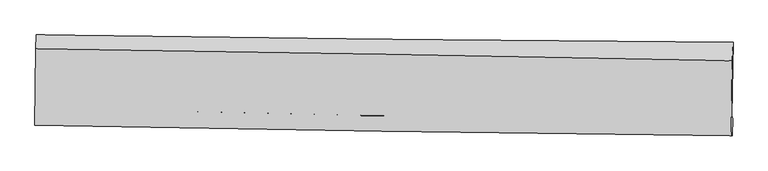
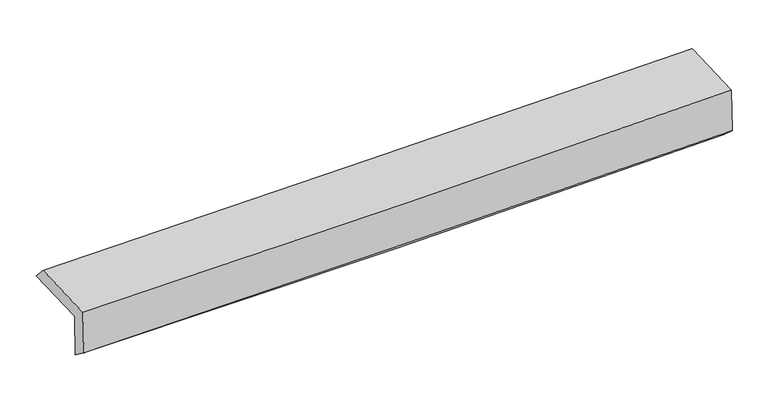
"""IFC4 building model written with IfcOpenShell, lengths in millimetres: proxy geometry."""

from ifc_helpers import new_model, si_unit, frame, origin, place, context, project, spatial, source, transform, mapped, element, save
from ifc_brep_helpers import plane_surface, spline_curve, spline_surface, advanced_brep


def generic_models_d3a5e6ac(model_context):
    return source(origin(), model_context, "Body", "AdvancedBrep", [
        advanced_brep(
        [(-3034.5629852, -1750.3863371, 1959.3888887), (-3026.1829012, -1113.09022, 1972.125011), (3023.041237, -1176.3644192, 2113.1910765), (3012.5862539, -1816.290241, 2110.6376857), (-3025.0850008, -1748.9909673, 1570.875955), (3022.0651716, -1840.9089009, 1704.5186396), (-3029.7937244, -1894.8958383, 1682.561745), (3016.4561815, -1989.4423854, 1834.6874513), (-3039.6248589, -1896.3431998, 2085.5506884), (3006.5333661, -1990.9032443, 2241.4344916), (-3030.9042262, -1233.8855094, 2098.3917247), (3016.9614231, -1337.5774767, 2254.1435266)],
        [
            (0, 1),
            (1, 2, spline_curve(3, [(-3026.1829012, -1113.09022, 1972.125011), (-2017.906548938, -1128.328589174, 1987.516167283), (-1009.687542651, -1141.220500608, 2006.966586426), (1006.720513073, -1162.312294535, 2053.987925759), (2014.909553104, -1170.511782937, 2081.559528528), (3023.041237, -1176.3644192, 2113.1910765)], [4, 2, 4], [0.0, 9.92491439887405, 19.850662985169382])),
            (2, 3),
            (3, 0, spline_curve(3, [(3012.5862539, -1816.290241, 2110.6376857), (2004.673472132, -1825.302270499, 2073.841544762), (996.766801832, -1824.315642353, 2042.839121745), (-1018.949610475, -1802.34599388, 1992.423829864), (-2026.759352972, -1781.364654154, 1973.009987448), (-3034.5629852, -1750.3863371, 1959.3888887)], [4, 2, 4], [0.0, 9.925748586295333, 19.850662985169382])),
            (4, 0),
            (3, 5),
            (5, 4, spline_curve(3, [(3022.0651716, -1840.9089009, 1704.5186396), (2014.759068072, -1820.672073457, 1661.588709351), (1007.155646078, -1802.893613445, 1628.986819862), (-1008.561128307, -1772.254715698, 1584.440994494), (-2016.674430196, -1759.393864297, 1572.495322382), (-3025.0850008, -1748.9909673, 1570.875955)], [4, 2, 4], [0.0, 9.924263372158265, 19.847692681716758])),
            (6, 4),
            (5, 7),
            (7, 6, spline_curve(3, [(3016.4561815, -1989.4423854, 1834.6874513), (2008.713642284, -1977.977766844, 1807.305819728), (1000.96704033, -1964.36615739, 1780.937371869), (-1014.449595571, -1932.850280806, 1730.228973058), (-2022.119628728, -1914.946374591, 1705.888852551), (-3029.7937244, -1894.8958383, 1682.561745)], [4, 2, 4], [0.0, 9.923648599617389, 19.846463188302195])),
            (8, 6),
            (7, 9),
            (9, 8, spline_curve(3, [(3006.5333661, -1990.9032443, 2241.4344916), (1998.836518018, -1979.431899061, 2212.179943219), (991.120400877, -1965.815801455, 2184.561874961), (-1024.265677202, -1934.29542593, 2132.600882404), (-2031.935635449, -1916.391508741, 2108.257682825), (-3039.6248589, -1896.3431998, 2085.5506884)], [4, 2, 4], [0.0, 9.923196579139333, 19.845559185335137])),
            (10, 8),
            (9, 11),
            (11, 10, spline_curve(3, [(3016.9614231, -1337.5774767, 2254.1435266), (2009.061943043, -1318.033694059, 2225.037839383), (1001.102217106, -1299.620489733, 2197.505199863), (-1014.853009114, -1265.056690947, 2145.588197053), (-2022.848499757, -1248.905905787, 2121.203569336), (-3030.9042262, -1233.8855094, 2098.3917247)], [4, 2, 4], [0.0, 9.92469725266571, 19.84856040626713])),
            (1, 10),
            (11, 2),
        ],
        [
            spline_surface(3, 3, [[(-3034.5629852, -1750.3863371, 1959.3888887), (-2026.759352822, -1781.364654043, 1973.009987289), (-1018.949610335, -1802.34599386, 1992.423829868), (996.766801692, -1824.315642374, 2042.839121742), (2004.673472196, -1825.302270546, 2073.841544817), (3012.5862539, -1816.290241, 2110.6376857)], [(-3031.769623854, -1537.954298042, 1963.634262818), (-2023.808418138, -1563.68596568, 1977.84538066), (-1015.862254432, -1581.970829392, 1997.271415382), (1000.084705486, -1603.647859797, 2046.555389784), (2008.085499106, -1607.038774666, 2076.414206106), (3016.07124825, -1602.981633716, 2111.488815991)], [(-3028.976262546, -1325.522259058, 1967.879636882), (-2020.857483492, -1346.007277393, 1982.680773976), (-1012.774898542, -1361.595664947, 2002.11900085), (1003.402609266, -1382.980077242, 2050.271657779), (2011.497526065, -1388.775278836, 2078.986867322), (3019.55624265, -1389.673026484, 2112.339946209)], [(-3026.1829012, -1113.09022, 1972.125011), (-2017.906548808, -1128.32858903, 1987.516167347), (-1009.687542639, -1141.220500479, 2006.966586364), (1006.72051306, -1162.312294665, 2053.987925821), (2014.909552974, -1170.511782955, 2081.559528612), (3023.041237, -1176.3644192, 2113.1910765)]], [4, 4], [4, 2, 4], [0.0, 2.1711250299883185], [0.0, 9.92491439887405, 19.850662985169382]),
            spline_surface(3, 3, [[(-3025.0850008, -1748.9909673, 1570.875955), (-2016.674430284, -1759.393864384, 1572.495322321), (-1008.561128161, -1772.254715562, 1584.440994366), (1007.155645933, -1802.893613581, 1628.98681999), (2014.759067968, -1820.672073568, 1661.588709455), (3022.0651716, -1840.9089009, 1704.5186396)], [(-3028.244328945, -1749.456090591, 1700.380266228), (-2020.036071142, -1766.717460961, 1706.000210638), (-1012.023955547, -1782.285141683, 1720.435272862), (1003.692697859, -1810.034289867, 1766.937587235), (2011.397202732, -1822.215472557, 1799.006321232), (3018.905532388, -1832.702680929, 1839.891654956)], [(-3031.403657055, -1749.921213809, 1829.884577472), (-2023.397711964, -1774.041057466, 1839.505098971), (-1015.48678295, -1792.315567739, 1856.429551373), (1000.229749766, -1817.174966089, 1904.888354496), (2008.035337432, -1823.758871558, 1936.42393304), (3015.745893112, -1824.496460971, 1975.264670344)], [(-3034.5629852, -1750.3863371, 1959.3888887), (-2026.759352822, -1781.364654043, 1973.009987289), (-1018.949610335, -1802.34599386, 1992.423829868), (996.766801692, -1824.315642374, 2042.839121742), (2004.673472196, -1825.302270546, 2073.841544817), (3012.5862539, -1816.290241, 2110.6376857)]], [4, 4], [4, 2, 4], [0.0, 1.3512311936716173], [0.0, 9.923429309558493, 19.847692681716758]),
            spline_surface(3, 3, [[(-3029.7937244, -1894.8958383, 1682.561745), (-2022.119628854, -1914.946374571, 1705.888852585), (-1014.449595606, -1932.850280826, 1730.22897322), (1000.967040365, -1964.36615737, 1780.937371707), (2008.713642441, -1977.977766853, 1807.305819809), (3016.4561815, -1989.4423854, 1834.6874513)], [(-3028.224149882, -1846.260881277, 1645.33314833), (-2020.304562679, -1863.095537819, 1661.424342494), (-1012.486773143, -1879.318425738, 1681.632980259), (1003.029908868, -1910.541976107, 1730.287187792), (2010.728784269, -1925.542535771, 1758.733449684), (3018.325844852, -1939.931223913, 1791.297847393)], [(-3026.654575318, -1797.625924323, 1608.10455167), (-2018.489496459, -1811.244701136, 1616.959832413), (-1010.523950624, -1825.786570651, 1633.036987327), (1005.092777429, -1856.717794845, 1679.637003905), (2012.74392614, -1873.10730465, 1710.16107958), (3020.195508248, -1890.420062387, 1747.908243507)], [(-3025.0850008, -1748.9909673, 1570.875955), (-2016.674430284, -1759.393864384, 1572.495322321), (-1008.561128161, -1772.254715562, 1584.440994366), (1007.155645933, -1802.893613581, 1628.98681999), (2014.759067968, -1820.672073568, 1661.588709455), (3022.0651716, -1840.9089009, 1704.5186396)]], [4, 4], [4, 2, 4], [0.0, 0.7197730397962123], [0.0, 9.922814588684806, 19.846463188302195]),
            spline_surface(3, 3, [[(-3039.6248589, -1896.3431998, 2085.5506884), (-2031.935635356, -1916.391508893, 2108.257682838), (-1024.265677289, -1934.295426033, 2132.600882338), (991.120400964, -1965.815801352, 2184.561875027), (1998.836517868, -1979.431899048, 2212.179943235), (3006.5333661, -1990.9032443, 2241.4344916)], [(-3036.347814043, -1895.860745994, 1951.221040607), (-2028.663633165, -1915.90979748, 1974.134739428), (-1020.993650062, -1933.813710934, 1998.476912655), (994.402614097, -1965.332586661, 2050.020373944), (2002.128892722, -1978.947188326, 2077.221902103), (3009.84097123, -1990.416291343, 2105.852144843)], [(-3033.070769257, -1895.378292106, 1816.891392793), (-2025.391631045, -1915.428085984, 1840.011795995), (-1017.721622833, -1933.331995926, 1864.352942902), (997.684827232, -1964.849372061, 1915.47887279), (2005.421267587, -1978.462477575, 1942.263860941), (3013.14857637, -1989.929338357, 1970.269798057)], [(-3029.7937244, -1894.8958383, 1682.561745), (-2022.119628854, -1914.946374571, 1705.888852585), (-1014.449595606, -1932.850280826, 1730.22897322), (1000.967040365, -1964.36615737, 1780.937371707), (2008.713642441, -1977.977766853, 1807.305819809), (3016.4561815, -1989.4423854, 1834.6874513)]], [4, 4], [4, 2, 4], [0.0, 1.32257467221024], [0.0, 9.922362606195804, 19.845559185335137]),
            spline_surface(3, 3, [[(-3030.9042262, -1233.8855094, 2098.3917247), (-2022.848499858, -1248.905905902, 2121.203569328), (-1014.853009273, -1265.056690791, 2145.588197004), (1001.102217265, -1299.620489888, 2197.505199912), (2009.061943156, -1318.033694053, 2225.03783953), (3016.9614231, -1337.5774767, 2254.1435266)], [(-3033.811103787, -1454.70473953, 2094.11137924), (-2025.877545044, -1471.401106895, 2116.888273804), (-1017.990565289, -1488.136269226, 2141.259092111), (997.774945154, -1521.685593731, 2193.190758279), (2005.653468076, -1538.499762357, 2220.751874082), (3013.485404116, -1555.352732539, 2249.907181584)], [(-3036.717981313, -1675.52396967, 2089.83103386), (-2028.90659017, -1693.8963079, 2112.572978361), (-1021.128121273, -1711.215847598, 2136.929987231), (994.447673075, -1743.75069751, 2188.87631666), (2002.244992948, -1758.965830744, 2216.465908683), (3010.009385084, -1773.127988461, 2245.670836616)], [(-3039.6248589, -1896.3431998, 2085.5506884), (-2031.935635356, -1916.391508893, 2108.257682838), (-1024.265677289, -1934.295426033, 2132.600882338), (991.120400964, -1965.815801352, 2184.561875027), (1998.836517868, -1979.431899048, 2212.179943235), (3006.5333661, -1990.9032443, 2241.4344916)]], [4, 4], [4, 2, 4], [0.0, 2.191316140946664], [0.0, 9.923863153601419, 19.84856040626713]),
            spline_surface(3, 3, [[(-3026.1829012, -1113.09022, 1972.125011), (-2017.906548808, -1128.32858903, 1987.516167347), (-1009.687542639, -1141.220500479, 2006.966586364), (1006.72051306, -1162.312294665, 2053.987925821), (2014.909552974, -1170.511782955, 2081.559528612), (3023.041237, -1176.3644192, 2113.1910765)], [(-3027.756676189, -1153.355316467, 2014.213915576), (-2019.553865814, -1168.521027987, 2032.078634683), (-1011.409364831, -1182.49923058, 2053.173789891), (1004.847747815, -1208.081693069, 2101.827017164), (2012.960349699, -1219.685753348, 2129.385632251), (3021.014632364, -1230.10210506, 2160.175226533)], [(-3029.330451211, -1193.620412933, 2056.302820124), (-2021.201182852, -1208.713466945, 2076.641101991), (-1013.131187081, -1223.777960691, 2099.380993478), (1002.974982511, -1253.851091484, 2149.666108568), (2011.011146431, -1268.859723661, 2177.21173589), (3018.988027736, -1283.83979084, 2207.159376567)], [(-3030.9042262, -1233.8855094, 2098.3917247), (-2022.848499858, -1248.905905902, 2121.203569328), (-1014.853009273, -1265.056690791, 2145.588197004), (1001.102217265, -1299.620489888, 2197.505199912), (2009.061943156, -1318.033694053, 2225.03783953), (3016.9614231, -1337.5774767, 2254.1435266)]], [4, 4], [4, 2, 4], [0.0, 0.6309027270232828], [0.0, 9.925715405032069, 19.852265064809856]),
            plane_surface(frame((3016.2739389, -1691.9144446, 2043.1021452), z_axis=(0.9995690925058685, -0.016427828702061234, 0.024326030320020037), x_axis=(0.024388130798851656, 0.0035904746612912316, -0.9996961176116694))),
            plane_surface(frame((-3031.0256161, -1606.2653453, 1894.8156688), z_axis=(-0.9996108793717484, 0.013630686225004438, -0.024337095855409233), x_axis=(-0.013145674217640565, -0.9997139763679346, -0.01997890647599767))),
        ],
        [
            (0, [[1, 2, 3, 4]]),
            (1, [[5, -4, 6, 7]]),
            (2, [[8, -7, 9, 10]]),
            (3, [[11, -10, 12, 13]]),
            (4, [[14, -13, 15, 16]]),
            (5, [[17, -16, 18, -2]]),
            (6, [[-12, -9, -6, -3, -18, -15]]),
            (7, [[-1, -5, -8, -11, -14, -17]]),
        ],
    ),
    ])


if __name__ == "__main__":
    model = new_model("IFC4")
    model_context = context("Model", 3, world=origin())
    ifc_project = project(units=[si_unit("LENGTHUNIT", "METRE", prefix="MILLI")], contexts=[model_context])
    site = spatial("IfcSite", under=ifc_project)
    building = spatial("IfcBuilding", under=site)
    placement = place(None, origin())
    generic_models_shape = generic_models_d3a5e6ac(model_context)
    element("IfcBuildingElementProxy", 1, Name="Generic Models", at=placement, inside=building, context=model_context, shape_type="MappedRepresentation", body=[
        mapped(generic_models_shape, transform((0.0, 0.0, 0.0), x_axis=(1.0, 0.0, 0.0), y_axis=(0.0, 1.0, 0.0), z_axis=(0.0, 0.0, 1.0))),
    ])
    save(model, "model.ifc")
